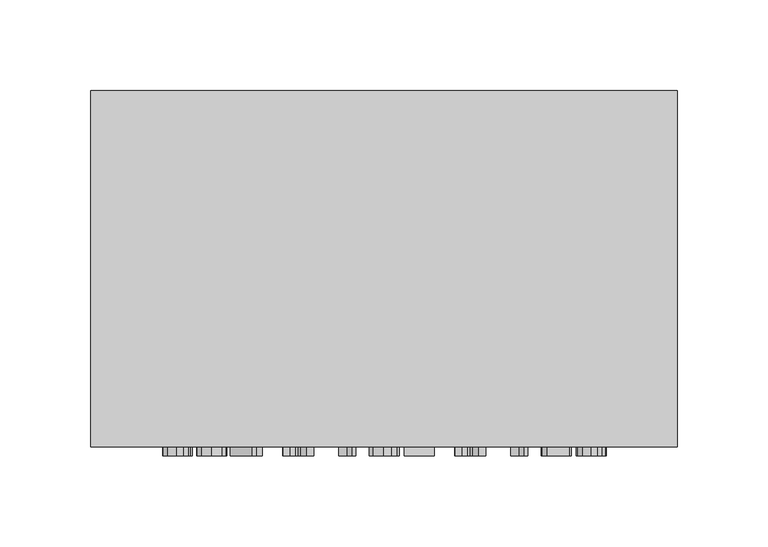
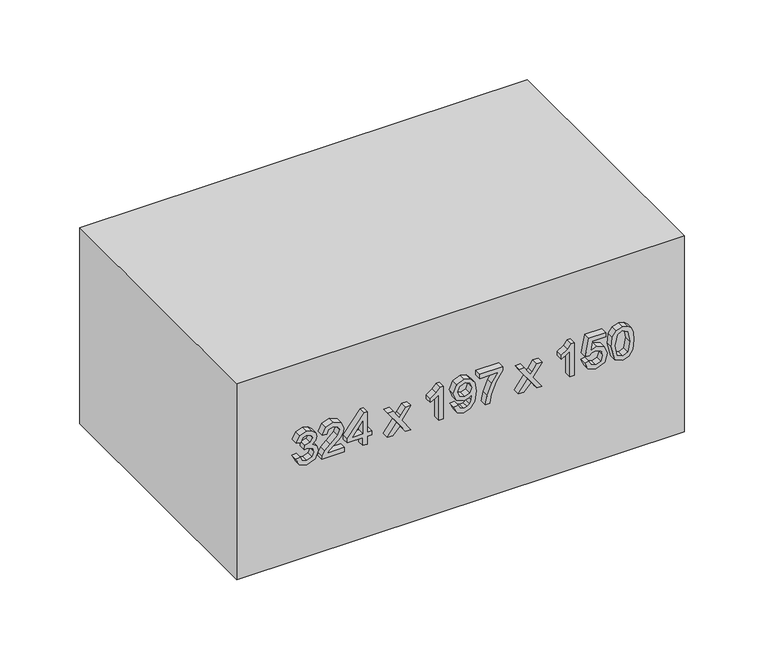
"""IFC4 building model written with IfcOpenShell, lengths in millimetres: furniture geometry."""

from ifc_helpers import new_model, si_unit, frame, origin, origin_with_axes, place, context, project, spatial, polyline, outline, extrude, source, transform, mapped, element, save


def furniture_f5efa19f(model_context):
    return source(origin(), model_context, "Body", "SweptSolid", [
        extrude(outline(polyline([(81.6709268, -77.5345978), (76.5757612, -75.0391316), (74.6075925, -69.5331644), (76.9129864, -63.4569801), (82.5293182, -61.0534844), (86.6128083, -62.2552323), (88.7587866, -65.6765349), (90.8373199, -63.1013609), (93.7313249, -62.2307068), (96.8981758, -63.1473461), (99.2526205, -65.7960965), (100.1140775, -69.5822154), (98.3666381, -74.5731478), (93.4431507, -77.1421904), (93.0507432, -74.0029307), (95.9937992, -72.4639577), (96.9748178, -69.4718508), (96.0029962, -66.5165321), (93.5473839, -65.3699665), (90.7760062, -66.9518591), (89.9114835, -71.0169551), (86.7722238, -71.366443), (87.1155804, -69.1652824), (85.8310591, -65.5968271), (82.5845005, -64.1927441), (79.1386724, -65.6090898), (77.7468522, -69.4227998), (78.7585277, -72.6632271), (82.0633343, -74.3953381), (81.6709268, -77.5345978)])), frame((0.0, -202.0, 0.0), z_axis=(0.0, 1.0, 0.0), x_axis=(0.0, 0.0, 1.0)), (0.0, 0.0, 1.0), 5.0),
        extrude(outline(polyline([(78.1392597, -42.2179263), (78.1392597, -54.5481045), (79.7364807, -53.1317588), (82.7561787, -49.5203839), (87.0573324, -45.0230265), (90.1352784, -43.1682881), (93.1120569, -42.6103338), (98.1029893, -44.67967), (100.1140775, -50.2990675), (98.3053244, -55.9000708), (93.0507432, -58.3066322), (92.6583358, -55.1673725), (95.8282523, -53.846063), (96.9748178, -50.3665125), (95.8006611, -47.0279834), (92.9219845, -45.7495934), (89.3657919, -47.1046255), (84.1357362, -52.5247535), (80.4967701, -56.4549595), (77.1643724, -58.3618145), (75.0, -58.6990397), (75.0, -42.2179263), (78.1392597, -42.2179263)])), frame((0.0, -202.0, 0.0), z_axis=(0.0, 1.0, 0.0), x_axis=(0.0, 0.0, 1.0)), (0.0, 0.0, 1.0), 5.0),
        extrude(outline(polyline([(75.0, -28.8760726), (75.0, -25.7368129), (80.8861119, -25.7368129), (80.8861119, -22.5975532), (84.0253716, -22.5975532), (84.0253716, -25.7368129), (99.7216701, -25.7368129), (99.7216701, -28.0912577), (84.0253716, -40.255889), (80.8861119, -40.255889), (80.8861119, -28.8760726), (75.0, -28.8760726)]), holes=[polyline([(84.0253716, -28.8760726), (84.0253716, -36.393128), (93.7251936, -28.8760726), (84.0253716, -28.8760726)])]), frame((0.0, -202.0, 0.0), z_axis=(0.0, 1.0, 0.0), x_axis=(0.0, 0.0, 1.0)), (0.0, 0.0, 1.0), 5.0),
        extrude(outline(polyline([(75.0, -11.2177368), (75.0, -7.440815), (80.5734122, -1.9655047), (75.0, 1.8788622), (75.0, 5.655784), (84.2706263, -0.7331), (93.4431507, 5.9010387), (93.4431507, 2.1241169), (88.648422, -1.3462366), (86.9439021, -2.5786413), (89.0285667, -4.0011184), (93.4431507, -7.0484076), (93.4431507, -10.8253294), (84.2706263, -4.5100218), (75.0, -11.2177368)])), frame((0.0, -202.0, 0.0), z_axis=(0.0, 1.0, 0.0), x_axis=(0.0, 0.0, 1.0)), (0.0, 0.0, 1.0), 5.0),
        extrude(outline(polyline([(75.0, 29.2002317), (100.1140775, 29.2002317), (100.1140775, 27.1768807), (96.7724827, 24.3840433), (93.8355582, 19.7824526), (90.8679767, 19.7824526), (92.452935, 23.0872592), (94.5713221, 26.060972), (75.0, 26.060972), (75.0, 29.2002317)])), frame((0.0, -202.0, 0.0), z_axis=(0.0, 1.0, 0.0), x_axis=(0.0, 0.0, 1.0)), (0.0, 0.0, 1.0), 5.0),
        extrude(outline(polyline([(81.2785194, 37.0483809), (76.3580977, 39.2985925), (74.6075925, 44.123978), (76.0913833, 48.9708233), (80.410931, 52.0886232), (88.0352854, 53.1370869), (95.0618315, 52.0855575), (98.8019651, 49.0076115), (100.1140775, 44.5347795), (97.8148151, 38.9031193), (91.7447621, 36.6559735), (85.8647816, 38.7988861), (83.6329642, 44.0442702), (84.5465378, 47.4870325), (86.3123714, 50.0162213), (82.6703396, 49.5625001), (79.9418815, 48.5354962), (78.3446605, 46.8125822), (77.7468522, 44.2711308), (78.6757543, 41.5978549), (81.6709268, 40.1876406), (81.2785194, 37.0483809)]), holes=[polyline([(91.8183385, 49.9978272), (88.1119274, 48.5784158), (86.7722238, 44.9578438), (88.1119274, 41.1870534), (91.591478, 39.7952332), (95.4756987, 41.2667611), (96.9748178, 45.043683), (95.5829976, 48.6427951), (91.8183385, 49.9978272)])]), frame((0.0, -202.0, 0.0), z_axis=(0.0, 1.0, 0.0), x_axis=(0.0, 0.0, 1.0)), (0.0, 0.0, 1.0), 5.0),
        extrude(outline(polyline([(96.5824104, 55.8839391), (96.5824104, 69.2257928), (90.0862275, 64.480115), (82.0817284, 61.0557468), (75.0, 59.8080137), (75.0, 62.9472734), (81.824211, 64.112233), (90.429584, 67.6898854), (97.1832843, 72.3650525), (99.7216701, 72.3650525), (99.7216701, 55.8839391), (96.5824104, 55.8839391)])), frame((0.0, -202.0, 0.0), z_axis=(0.0, 1.0, 0.0), x_axis=(0.0, 0.0, 1.0)), (0.0, 0.0, 1.0), 5.0),
        extrude(outline(polyline([(75.0, 83.7448689), (75.0, 87.5217907), (80.5734122, 92.997101), (75.0, 96.8414679), (75.0, 100.6183897), (84.2706263, 94.2295057), (93.4431507, 100.8636444), (93.4431507, 97.0867225), (88.648422, 93.6163691), (86.9439021, 92.3839644), (89.0285667, 90.9614873), (93.4431507, 87.9141981), (93.4431507, 84.1372763), (84.2706263, 90.4525839), (75.0, 83.7448689)])), frame((0.0, -202.0, 0.0), z_axis=(0.0, 1.0, 0.0), x_axis=(0.0, 0.0, 1.0)), (0.0, 0.0, 1.0), 5.0),
        extrude(outline(polyline([(75.0, 124.1628374), (100.1140775, 124.1628374), (100.1140775, 122.1394864), (96.7724827, 119.3466489), (93.8355582, 114.7450583), (90.8679767, 114.7450583), (92.452935, 118.0498649), (94.5713221, 121.0235777), (75.0, 121.0235777), (75.0, 124.1628374)])), frame((0.0, -202.0, 0.0), z_axis=(0.0, 1.0, 0.0), x_axis=(0.0, 0.0, 1.0)), (0.0, 0.0, 1.0), 5.0),
        extrude(outline(polyline([(81.6709268, 131.6185792), (76.5420387, 134.0680601), (74.6075925, 139.6077498), (77.6180935, 146.1315239), (83.4428918, 148.0996925), (89.2309018, 145.9138604), (91.4811134, 140.5458489), (89.6662289, 135.9534553), (96.5824104, 137.2962246), (96.5824104, 146.9224702), (99.7216701, 146.9224702), (99.7216701, 134.7578389), (86.7722238, 132.0109866), (86.3798164, 135.1502463), (87.7961621, 136.9130142), (88.3418537, 139.6690635), (86.9745589, 143.6452547), (83.2466881, 144.9604329), (79.2521027, 143.5563499), (77.7468522, 139.6200126), (78.8290384, 136.3397314), (82.0633343, 134.7578389), (81.6709268, 131.6185792)])), frame((0.0, -202.0, 0.0), z_axis=(0.0, 1.0, 0.0), x_axis=(0.0, 0.0, 1.0)), (0.0, 0.0, 1.0), 5.0),
        extrude(outline(polyline([(87.3547037, 150.8465448), (76.9988255, 153.3481423), (74.6075925, 159.0871015), (75.9840843, 163.6825607), (80.159545, 166.4140845), (87.3547037, 167.3276582), (93.256144, 166.7574411), (96.9717522, 165.2859131), (99.3047371, 162.7536587), (100.1140775, 159.0871015), (98.7467828, 154.5100363), (94.5805192, 151.7693154), (87.3547037, 150.8465448)]), holes=[polyline([(87.360835, 153.9858045), (95.2948234, 155.5063834), (96.9748178, 159.0503133), (95.0679628, 162.7659214), (87.360835, 164.1883985), (79.5709338, 162.7168705), (77.7468522, 159.0871015), (79.5648024, 155.4573324), (87.360835, 153.9858045)])]), frame((0.0, -202.0, 0.0), z_axis=(0.0, 1.0, 0.0), x_axis=(0.0, 0.0, 1.0)), (0.0, 0.0, 1.0), 5.0),
        extrude(outline(polyline([(206.7003264, 0.0), (206.7003264, -197.0), (-117.2996736, -197.0), (-117.2996736, 0.0), (206.7003264, 0.0)])), origin_with_axes(), (0.0, 0.0, 1.0), 150.0),
    ])


if __name__ == "__main__":
    model = new_model("IFC4")
    model_context = context("Model", 3, world=origin())
    ifc_project = project(units=[si_unit("LENGTHUNIT", "METRE", prefix="MILLI")], contexts=[model_context])
    site = spatial("IfcSite", under=ifc_project)
    building = spatial("IfcBuilding", under=site)
    placement = place(None, origin())
    furniture_shape = furniture_f5efa19f(model_context)
    element("IfcFurniture", 1, at=placement, inside=building, context=model_context, shape_type="MappedRepresentation", body=[
        mapped(furniture_shape, transform((0.0, 0.0, 0.0), x_axis=(1.0, 0.0, 0.0), y_axis=(0.0, 1.0, 0.0), z_axis=(0.0, 0.0, 1.0))),
    ])
    save(model, "model.ifc")
